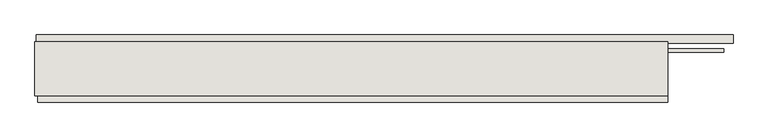
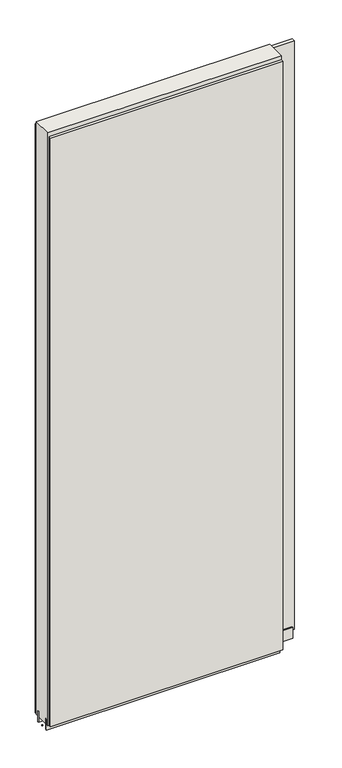
"""IFC4 building model written with IfcOpenShell, lengths in millimetres: wall geometry."""

from ifc_helpers import new_model, si_unit, frame, origin, place, context, project, spatial, polyline, outline, extrude, source, transform, mapped, element, save


def wall_0c95cfc2(model_context):
    return source(origin(), model_context, "Body", "SweptSolid", [
        extrude(outline(polyline([(75247.5235712, -39417.0036398), (75244.9835712, -39417.0036398), (75244.9835712, -39414.4636398), (75247.5235712, -39414.4636398), (75247.5235712, -39417.0036398)])), frame((0.0, 0.0, 4419.6), z_axis=(0.0, 0.0, 1.0), x_axis=(1.0, 0.0, 0.0)), (0.0, 0.0, 1.0), 2.54),
        extrude(outline(polyline([(75246.9761885, -39364.9336398), (76297.5597363, -39364.9336398), (76297.5597363, -39377.6336398), (75246.9761885, -39377.6336398), (75246.9761885, -39364.9336398)])), frame((0.0, 0.0, 4445.0), z_axis=(0.0, 0.0, 1.0), x_axis=(1.0, 0.0, 0.0)), (0.0, 0.0, 1.0), 2545.0498756),
        extrude(outline(polyline([(76199.1811167, -39466.5336398), (75249.4475069, -39466.5336398), (75249.4475069, -39453.8336398), (76199.1811167, -39453.8336398), (76199.1811167, -39466.5336398)])), frame((0.0, 0.0, 4445.0), z_axis=(0.0, 0.0, 1.0), x_axis=(1.0, 0.0, 0.0)), (0.0, 0.0, 1.0), 2545.0498756),
        extrude(outline(polyline([(76283.8212446, -39390.6498952), (75244.9823266, -39390.6498952), (75244.9823266, -39385.5711398), (76283.8212446, -39385.5711398), (76283.8212446, -39390.6498952)])), frame((0.0, 0.0, 4418.6602), z_axis=(0.0, 0.0, 1.0), x_axis=(1.0, 0.0, 0.0)), (0.0, 0.0, 1.0), 47.625),
        extrude(outline(polyline([(76283.8212446, -39390.6498952), (75244.9823266, -39390.6498952), (75244.9823266, -39385.5711398), (76283.8212446, -39385.5711398), (76283.8212446, -39390.6498952)])), frame((0.0, 0.0, 4418.6602), z_axis=(0.0, 0.0, 1.0), x_axis=(1.0, 0.0, 0.0)), (0.0, 0.0, 1.0), 47.625),
        extrude(outline(polyline([(75244.9823266, -39440.8142856), (76198.703965, -39440.8142856), (76198.703965, -39445.8961398), (75244.9823266, -39445.8961398), (75244.9823266, -39440.8142856)])), frame((0.0, 0.0, 4418.6602), z_axis=(0.0, 0.0, 1.0), x_axis=(1.0, 0.0, 0.0)), (0.0, 0.0, 1.0), 47.625),
        extrude(outline(polyline([(75244.9823266, -39440.8142856), (76198.703965, -39440.8142856), (76198.703965, -39445.8961398), (75244.9823266, -39445.8961398), (75244.9823266, -39440.8142856)])), frame((0.0, 0.0, 4418.6602), z_axis=(0.0, 0.0, 1.0), x_axis=(1.0, 0.0, 0.0)), (0.0, 0.0, 1.0), 47.625),
        extrude(outline(polyline([(76198.703965, -39375.10667), (76198.703965, -39456.3854254), (75244.9823266, -39456.3854254), (75244.9823266, -39375.10667), (76198.703965, -39375.10667)])), frame((0.0, 0.0, 4445.0), z_axis=(0.0, 0.0, 1.0), x_axis=(1.0, 0.0, 0.0)), (0.0, 0.0, 1.0), 2562.4536762),
    ])


if __name__ == "__main__":
    model = new_model("IFC4")
    model_context = context("Model", 3, world=origin())
    ifc_project = project(units=[si_unit("LENGTHUNIT", "METRE", prefix="MILLI")], contexts=[model_context])
    site = spatial("IfcSite", under=ifc_project)
    building = spatial("IfcBuilding", under=site)
    placement = place(None, origin())
    wall_shape = wall_0c95cfc2(model_context)
    element("IfcWall", 1, at=placement, inside=building, context=model_context, shape_type="MappedRepresentation", body=[
        mapped(wall_shape, transform((0.0, 0.0, 0.0), x_axis=(1.0, 0.0, 0.0), y_axis=(0.0, 1.0, 0.0), z_axis=(0.0, 0.0, 1.0))),
    ])
    save(model, "model.ifc")
